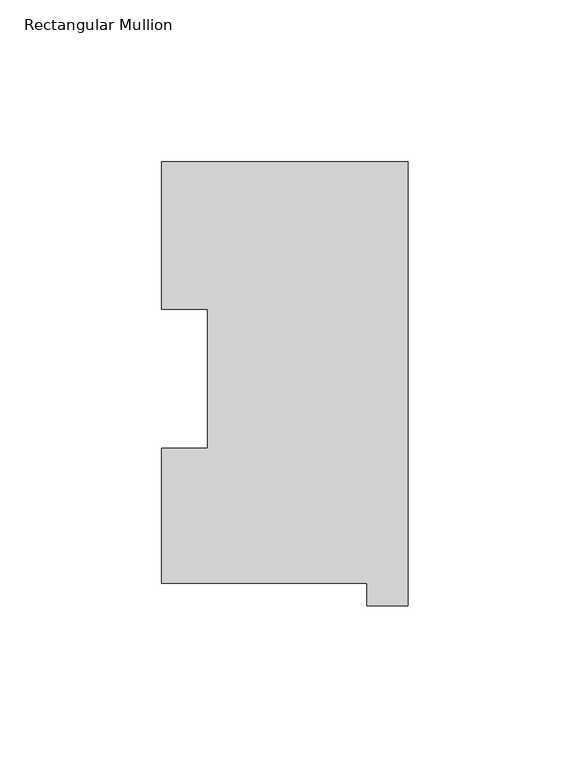
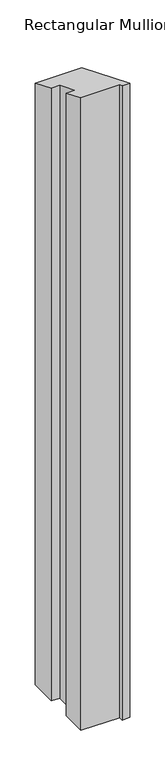
"""IFC4 building model written with IfcOpenShell, lengths in millimetres: member geometry, Rectangular Mullion."""

from ifc_helpers import new_model, si_unit, origin, place, context, project, spatial, faceted_brep, source, transform, mapped, element, save


def rectangular_mullion_b87ab25e(model_context):
    return source(origin(), model_context, "Body", "Brep", [
        faceted_brep([(-76.2, 130.56235, -1099.2275185), (0.0, 130.56235, -1099.2275185), (0.0, -6.64845, -1099.2275185), (-12.7, -6.64845, -1099.2275185), (-12.7, 0.26035, -1099.2275185), (-76.2, 0.26035, -1099.2275185), (-76.2, 42.0485036, -1099.2275185), (-61.9101579, 42.0485036, -1099.2275185), (-61.9101579, 84.93125, -1099.2275185), (-76.2, 84.93125, -1099.2275185), (-76.2, 84.93125, -35.1796756), (-76.2, 130.56235, -54.0806961), (-61.9101579, 84.93125, -35.1796756), (-61.9101579, 42.0485036, -17.4170605), (-76.2, 42.0485036, -17.4170605), (-76.2, 0.26035, -0.1078405), (-12.7, 0.26035, -0.1078405), (-12.7, -6.64845, 2.7538782), (0.0, -6.64845, 2.7538782), (0.0, 130.56235, -54.0806961)], [[[0, 1, 2, 3, 4, 5, 6, 7, 8, 9]], [[10, 11, 0, 9]], [[12, 10, 9, 8]], [[13, 12, 8, 7]], [[14, 13, 7, 6]], [[15, 14, 6, 5]], [[16, 15, 5, 4]], [[17, 16, 4, 3]], [[18, 17, 3, 2]], [[19, 18, 2, 1]], [[11, 19, 1, 0]], [[11, 10, 12, 13, 14, 15, 16, 17, 18, 19]]]),
    ])


if __name__ == "__main__":
    model = new_model("IFC4")
    model_context = context("Model", 3, world=origin())
    ifc_project = project(units=[si_unit("LENGTHUNIT", "METRE", prefix="MILLI")], contexts=[model_context])
    site = spatial("IfcSite", under=ifc_project)
    building = spatial("IfcBuilding", under=site)
    placement = place(None, origin())
    rectangular_mullion_shape = rectangular_mullion_b87ab25e(model_context)
    element("IfcMember", 1, ObjectType="Rectangular Mullion", at=placement, inside=building, context=model_context, shape_type="MappedRepresentation", body=[
        mapped(rectangular_mullion_shape, transform((0.0, 0.0, 0.0), x_axis=(1.0, 0.0, 0.0), y_axis=(0.0, 1.0, 0.0), z_axis=(0.0, 0.0, 1.0))),
    ])
    save(model, "model.ifc")
